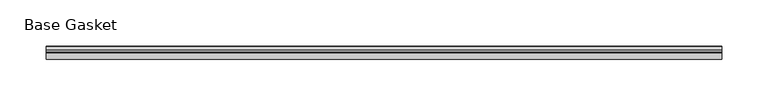
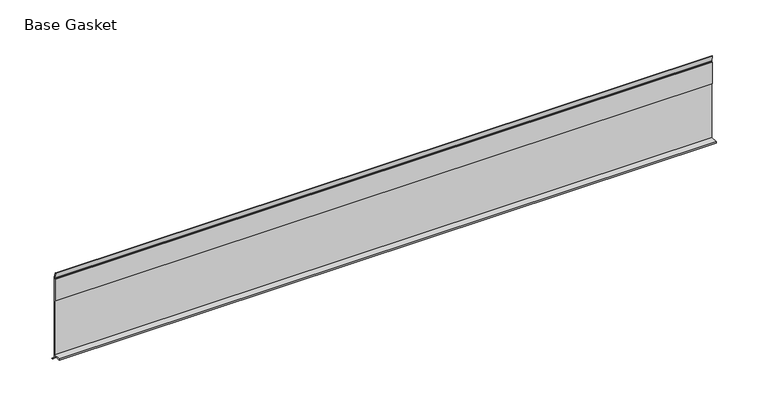
"""IFC4 building model written with IfcOpenShell, lengths in millimetres: furniture geometry, Base Gasket."""

from ifc_helpers import new_model, si_unit, frame, origin, place, context, project, spatial, polyline, outline, extrude, source, transform, mapped, element, save


def base_gasket_b09a8aa5(model_context):
    return source(origin(), model_context, "Body", "SweptSolid", [
        extrude(outline(polyline([(3.7283812, 98.4568417), (3.7283812, 4.3498477), (7.4222115, 0.6560174), (7.8482342, 0.0), (6.8281054, 0.3520979), (2.2043812, 4.3498477), (2.1334222, 6.3818476), (-6.2405171, 6.3818476), (-6.2405171, 7.9398773), (2.2043812, 7.9398773), (2.2043812, 71.4693447), (1.4106313, 71.4693447), (1.4106313, 96.8693477), (2.2043812, 96.8693477), (2.2043812, 98.4568417), (0.6755308, 104.4162708), (0.6755308, 105.2002997), (1.1891543, 104.587663), (3.7283812, 98.4568417)])), frame((-1527.8982117, 0.0, 0.0), z_axis=(1.0, 0.0, 0.0), x_axis=(0.0, 1.0, 0.0)), (0.0, 0.0, 1.0), 730.25),
    ])


if __name__ == "__main__":
    model = new_model("IFC4")
    model_context = context("Model", 3, world=origin())
    ifc_project = project(units=[si_unit("LENGTHUNIT", "METRE", prefix="MILLI")], contexts=[model_context])
    site = spatial("IfcSite", under=ifc_project)
    building = spatial("IfcBuilding", under=site)
    placement = place(None, origin())
    base_gasket_shape = base_gasket_b09a8aa5(model_context)
    element("IfcFurniture", 1, ObjectType="Base Gasket", at=placement, inside=building, context=model_context, shape_type="MappedRepresentation", body=[
        mapped(base_gasket_shape, transform((0.0, 0.0, 0.0), x_axis=(1.0, 0.0, 0.0), y_axis=(0.0, 1.0, 0.0), z_axis=(0.0, 0.0, 1.0))),
    ])
    save(model, "model.ifc")
